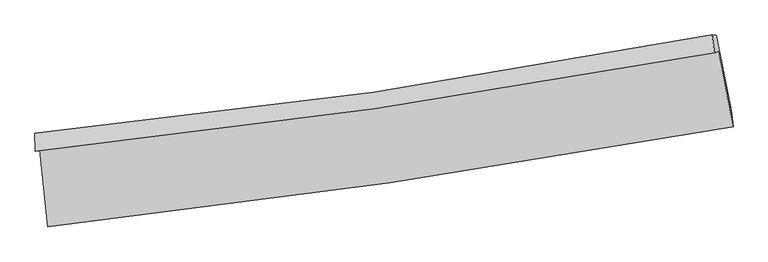
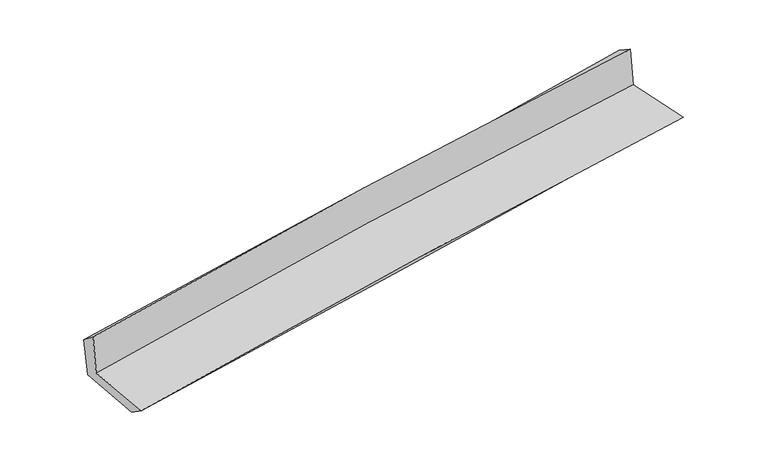
"""IFC4 building model written with IfcOpenShell, lengths in millimetres: proxy geometry."""

from ifc_helpers import new_model, si_unit, frame, origin, place, context, project, spatial, source, transform, mapped, element, save
from ifc_brep_helpers import plane_surface, spline_curve, spline_surface, advanced_brep


def generic_models_4ab86cde(model_context):
    return source(origin(), model_context, "Body", "AdvancedBrep", [
        advanced_brep(
        [(-2966.1055457, -1906.1184773, 1620.5882989), (-2897.5851436, -2577.1443632, 1605.9873576), (3049.0945575, -1707.6472921, 2113.4576781), (2925.2020668, -1055.0812283, 2108.9053235), (-3003.3416751, -1918.7815148, 2027.8080336), (2888.9045212, -1067.425078, 2505.8605689), (-3007.0594178, -1764.9563404, 1904.3478), (2868.8953953, -911.3360211, 2405.9160541), (-2970.7193849, -1767.7054408, 1522.9147827), (2905.1449623, -914.3645621, 2039.5358744), (-2903.1232462, -2413.8139856, 1491.7212023), (3033.4984064, -1566.5501567, 1997.5267797)],
        [
            (0, 1),
            (1, 2, spline_curve(3, [(-2897.5851436, -2577.1443632, 1605.9873576), (-1907.999176622, -2466.466622796, 1741.089167696), (-918.737149454, -2338.866038043, 1850.892075558), (1063.492275932, -2049.182995603, 2020.272067689), (2056.456815484, -1886.951223524, 2079.62593366), (3049.0945575, -1707.6472921, 2113.4576781)], [4, 2, 4], [0.0, 9.829653639923585, 19.702576858699345])),
            (2, 3),
            (3, 0, spline_curve(3, [(2925.2020668, -1055.0812283, 2108.9053235), (1940.831761935, -1235.440093088, 2093.054384106), (956.626492967, -1396.653091149, 2044.274302842), (-1007.141267853, -1680.164722368, 1881.213960182), (-1986.705203111, -1802.630807432, 1767.221699667), (-2966.1055457, -1906.1184773, 1620.5882989)], [4, 2, 4], [0.0, 9.87292321877576, 19.702576858699345])),
            (4, 0),
            (3, 5),
            (5, 4, spline_curve(3, [(2888.9045212, -1067.425078, 2505.8605689), (1904.708531019, -1247.724663034, 2488.103299377), (920.511668646, -1408.934801819, 2439.231282001), (-1043.570404459, -1692.553322953, 2279.608304095), (-2023.455607645, -1815.128662802, 2169.129476903), (-3003.3416751, -1918.7815148, 2027.8080336)], [4, 2, 4], [0.0, 9.82571876165599, 19.60837482513073])),
            (6, 4),
            (5, 7),
            (7, 6, spline_curve(3, [(2868.8953953, -911.3360211, 2405.9160541), (1893.406596692, -1098.961219767, 2333.104796419), (914.917354, -1264.015607971, 2254.797977873), (-1043.76049284, -1548.358308004, 2087.560495127), (-2023.922854366, -1667.844026273, 1998.677895597), (-3007.0594178, -1764.9563404, 1904.3478)], [4, 2, 4], [0.0, 9.811456556982906, 19.579912922053076])),
            (8, 6),
            (7, 9),
            (9, 8, spline_curve(3, [(2905.1449623, -914.3645621, 2039.5358744), (1928.243567637, -1102.022358021, 1979.211469218), (949.057149984, -1267.069620149, 1905.874446679), (-1009.584284391, -1551.318825953, 1733.553606276), (-1989.019315622, -1670.718523258, 1634.683598536), (-2970.7193849, -1767.7054408, 1522.9147827)], [4, 2, 4], [0.0, 9.800827222714231, 19.55870083818038])),
            (10, 8),
            (9, 11),
            (11, 10, spline_curve(3, [(3033.4984064, -1566.5501567, 1997.5267797), (2046.017640767, -1748.55194649, 1934.200600057), (1056.467782696, -1910.268768359, 1860.271242488), (-922.424197908, -2192.512630354, 1691.576646733), (-1911.748224258, -2313.217084794, 1596.904145372), (-2903.1232462, -2413.8139856, 1491.7212023)], [4, 2, 4], [0.0, 9.849544480895323, 19.65592184379224])),
            (1, 10),
            (11, 2),
        ],
        [
            spline_surface(3, 3, [[(-2966.1055457, -1906.1184773, 1620.5882989), (-1986.705203033, -1802.630807564, 1767.221699637), (-1007.141267816, -1680.164722466, 1881.213960055), (956.62649293, -1396.653091051, 2044.27430297), (1940.831761881, -1235.440093112, 2093.054384113), (2925.2020668, -1055.0812283, 2108.9053235)], [(-2943.265411662, -2129.793772593, 1615.721318469), (-1960.469860934, -2023.909412633, 1758.510855656), (-977.673228344, -1899.731827622, 1871.106665186), (992.248420561, -1614.163059248, 2036.273557923), (1979.373446423, -1452.610469877, 2088.578233946), (2966.499563691, -1272.603249561, 2110.422775042)], [(-2920.425277638, -2353.469067907, 1610.854338031), (-1934.234518848, -2245.188017721, 1749.800011667), (-948.205188845, -2119.298932813, 1860.999370301), (1027.870348219, -1831.67302748, 2028.272812862), (2017.915130993, -1669.78084666, 2084.102083752), (3007.797060609, -1490.125270839, 2111.940226558)], [(-2897.5851436, -2577.1443632, 1605.9873576), (-1907.999176749, -2466.46662279, 1741.089167685), (-918.737149372, -2338.866037969, 1850.892075431), (1063.49227585, -2049.182995677, 2020.272067816), (2056.456815535, -1886.951223426, 2079.625933585), (3049.0945575, -1707.6472921, 2113.4576781)]], [4, 4], [4, 2, 4], [0.0, 2.1764895399985735], [0.0, 9.829653639923585, 19.702576858699345]),
            spline_surface(3, 3, [[(-3003.3416751, -1918.7815148, 2027.8080336), (-2023.455607595, -1815.1286627, 2169.129476763), (-1043.570404438, -1692.553322809, 2279.608304235), (920.511668625, -1408.934801963, 2439.231281861), (1904.708530894, -1247.724662953, 2488.103299512), (2888.9045212, -1067.425078, 2505.8605689)], [(-2990.929631962, -1914.560502278, 1892.068122034), (-2011.205472736, -1810.962710967, 2035.160217722), (-1031.42735889, -1688.42378936, 2146.810189486), (932.549943401, -1404.840898325, 2307.578955541), (1916.74960789, -1243.629806352, 2356.420327711), (2901.003703067, -1063.310461446, 2373.542153765)], [(-2978.517588838, -1910.339489822, 1756.328210466), (-1998.955337891, -1806.796759298, 1901.190958679), (-1019.284313365, -1684.294255915, 2014.012074804), (944.588218154, -1400.74699469, 2175.926629289), (1928.790684885, -1239.534949712, 2224.737355914), (2913.102884933, -1059.195844854, 2241.223738635)], [(-2966.1055457, -1906.1184773, 1620.5882989), (-1986.705203033, -1802.630807564, 1767.221699637), (-1007.141267816, -1680.164722466, 1881.213960055), (956.62649293, -1396.653091051, 2044.27430297), (1940.831761881, -1235.440093112, 2093.054384113), (2925.2020668, -1055.0812283, 2108.9053235)]], [4, 4], [4, 2, 4], [0.0, 1.3074604698501164], [0.0, 9.782656063474741, 19.60837482513073]),
            spline_surface(3, 3, [[(-3007.0594178, -1764.9563404, 1904.3478), (-2023.922854283, -1667.844026171, 1998.67789575), (-1043.760492683, -1548.358307986, 2087.560495136), (914.917353842, -1264.015607989, 2254.797977864), (1893.406596628, -1098.961219762, 2333.104796518), (2868.8953953, -911.3360211, 2405.9160541)], [(-3005.820170242, -1816.231398544, 1945.501211213), (-2023.767105396, -1716.938905025, 2055.495089435), (-1043.697129954, -1596.423312924, 2151.576431506), (916.782125417, -1312.322005978, 2316.275745866), (1897.173908056, -1148.549034165, 2384.770964187), (2875.565103939, -963.365706739, 2439.230892371)], [(-3004.580922658, -1867.506456656, 1986.654622387), (-2023.611356482, -1766.033783847, 2112.312283079), (-1043.633767167, -1644.488317871, 2215.592367866), (918.64689705, -1360.628403975, 2377.753513859), (1900.941219467, -1198.13684855, 2436.437131843), (2882.234812561, -1015.395392361, 2472.545730629)], [(-3003.3416751, -1918.7815148, 2027.8080336), (-2023.455607595, -1815.1286627, 2169.129476763), (-1043.570404438, -1692.553322809, 2279.608304235), (920.511668625, -1408.934801963, 2439.231281861), (1904.708530894, -1247.724662953, 2488.103299512), (2888.9045212, -1067.425078, 2505.8605689)]], [4, 4], [4, 2, 4], [0.0, 0.7786984670851284], [0.0, 9.76845636507017, 19.579912922053076]),
            spline_surface(3, 3, [[(-2970.7193849, -1767.7054408, 1522.9147827), (-1989.019315618, -1670.718523415, 1634.683598524), (-1009.584284248, -1551.318825897, 1733.553606402), (949.057149841, -1267.069620205, 1905.874446553), (1928.243567547, -1102.022358154, 1979.211469246), (2905.1449623, -914.3645621, 2039.5358744)], [(-2982.832729199, -1766.789074006, 1650.059121785), (-2000.653828505, -1669.760357673, 1756.015030918), (-1020.976353724, -1550.331986599, 1851.555902644), (937.677217844, -1266.051616139, 2022.182290321), (1916.631243904, -1101.001978684, 2097.175911654), (2893.061773296, -913.355048427, 2161.662600951)], [(-2994.946073501, -1765.872707194, 1777.203460915), (-2012.288341396, -1668.802191914, 1877.346463357), (-1032.368423207, -1549.345147284, 1969.558198894), (926.297285839, -1265.033612055, 2138.490134096), (1905.018920272, -1099.981599232, 2215.14035411), (2880.978584304, -912.345534773, 2283.789327549)], [(-3007.0594178, -1764.9563404, 1904.3478), (-2023.922854283, -1667.844026171, 1998.67789575), (-1043.760492683, -1548.358307986, 2087.560495136), (914.917353842, -1264.015607989, 2254.797977864), (1893.406596628, -1098.961219762, 2333.104796518), (2868.8953953, -911.3360211, 2405.9160541)]], [4, 4], [4, 2, 4], [0.0, 1.158539928000785], [0.0, 9.757873615466147, 19.55870083818038]),
            spline_surface(3, 3, [[(-2903.1232462, -2413.8139856, 1491.7212023), (-1911.74822413, -2313.217084708, 1596.904145498), (-922.424197956, -2192.512630383, 1691.57664684), (1056.467782745, -1910.26876833, 1860.271242382), (2046.017640724, -1748.551946361, 1934.20060016), (3033.4984064, -1566.5501567, 1997.5267797)], [(-2925.655292421, -2198.44447067, 1502.11906246), (-1937.505254614, -2099.050897614, 1609.497296533), (-951.477560039, -1978.781362238, 1705.568966719), (1020.664238458, -1695.869052305, 1875.472310464), (2006.759616316, -1533.042083632, 1949.204223207), (2990.713925017, -1349.154958507, 2011.529811285)], [(-2948.187338679, -1983.07495573, 1512.51692254), (-1963.262285134, -1884.884710509, 1622.090447488), (-980.530922165, -1765.050094043, 1719.561286522), (984.860694128, -1481.46933623, 1890.67337847), (1967.501591955, -1317.532220882, 1964.2078462), (2947.929443683, -1131.759760293, 2025.532842815)], [(-2970.7193849, -1767.7054408, 1522.9147827), (-1989.019315618, -1670.718523415, 1634.683598524), (-1009.584284248, -1551.318825897, 1733.553606402), (949.057149841, -1267.069620205, 1905.874446553), (1928.243567547, -1102.022358154, 1979.211469246), (2905.1449623, -914.3645621, 2039.5358744)]], [4, 4], [4, 2, 4], [0.0, 2.1358579578513437], [0.0, 9.806377362896916, 19.65592184379224]),
            spline_surface(3, 3, [[(-2897.5851436, -2577.1443632, 1605.9873576), (-1907.999176749, -2466.46662279, 1741.089167685), (-918.737149372, -2338.866037969, 1850.892075431), (1063.49227585, -2049.182995677, 2020.272067816), (2056.456815535, -1886.951223426, 2079.625933585), (3049.0945575, -1707.6472921, 2113.4576781)], [(-2899.431177814, -2522.700904008, 1567.898639139), (-1909.248859224, -2415.383443438, 1693.027493595), (-919.966165563, -2290.081568767, 1797.786932559), (1061.150778152, -2002.878253222, 1966.938459329), (2052.977090622, -1840.818131056, 2031.15082243), (3043.89584049, -1660.614913619, 2074.814045287)], [(-2901.277211986, -2468.257444792, 1529.809920761), (-1910.498541656, -2364.30026406, 1644.965819588), (-921.195181765, -2241.297099585, 1744.681789712), (1058.809280443, -1956.573510786, 1913.604850868), (2049.497365638, -1794.68503873, 1982.675711315), (3038.69712341, -1613.582535181, 2036.170412513)], [(-2903.1232462, -2413.8139856, 1491.7212023), (-1911.74822413, -2313.217084708, 1596.904145498), (-922.424197956, -2192.512630383, 1691.57664684), (1056.467782745, -1910.26876833, 1860.271242382), (2046.017640724, -1748.551946361, 1934.20060016), (3033.4984064, -1566.5501567, 1997.5267797)]], [4, 4], [4, 2, 4], [0.0, 0.7025874893343241], [0.0, 9.865141780205548, 19.77370935604776]),
            plane_surface(frame((2945.1233182, -1203.7340564, 2195.2003798), z_axis=(0.977865725841526, 0.18631622962404348, 0.09520968859893598), x_axis=(-0.09845569110410031, 0.008225673397147498, 0.9951074390167012))),
            plane_surface(frame((-2957.9890689, -2058.086687, 1695.5612459), z_axis=(-0.9906570596873521, -0.0991207380418365, -0.09366786739139712), x_axis=(-0.10156087224540995, 0.9945939044023896, 0.021641500741909236))),
        ],
        [
            (0, [[1, 2, 3, 4]]),
            (1, [[5, -4, 6, 7]]),
            (2, [[8, -7, 9, 10]]),
            (3, [[11, -10, 12, 13]]),
            (4, [[14, -13, 15, 16]]),
            (5, [[17, -16, 18, -2]]),
            (6, [[-12, -9, -6, -3, -18, -15]]),
            (7, [[-1, -5, -8, -11, -14, -17]]),
        ],
    ),
    ])


if __name__ == "__main__":
    model = new_model("IFC4")
    model_context = context("Model", 3, world=origin())
    ifc_project = project(units=[si_unit("LENGTHUNIT", "METRE", prefix="MILLI")], contexts=[model_context])
    site = spatial("IfcSite", under=ifc_project)
    building = spatial("IfcBuilding", under=site)
    placement = place(None, origin())
    generic_models_shape = generic_models_4ab86cde(model_context)
    element("IfcBuildingElementProxy", 1, Name="Generic Models", at=placement, inside=building, context=model_context, shape_type="MappedRepresentation", body=[
        mapped(generic_models_shape, transform((0.0, 0.0, 0.0), x_axis=(1.0, 0.0, 0.0), y_axis=(0.0, 1.0, 0.0), z_axis=(0.0, 0.0, 1.0))),
    ])
    save(model, "model.ifc")
